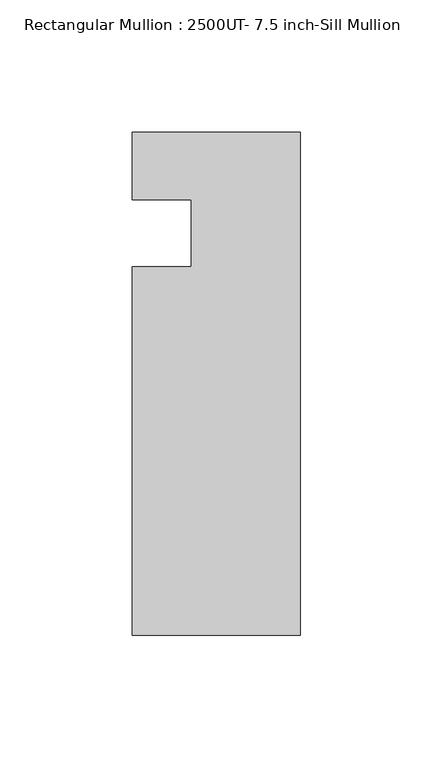
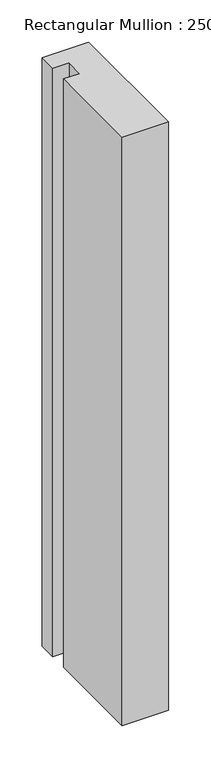
"""IFC4 building model written with IfcOpenShell, lengths in millimetres: member geometry, Rectangular Mullion : 2500UT- 7.5 inch-Sill Mullion."""

from ifc_helpers import new_model, si_unit, frame, origin, place, context, project, spatial, polyline, outline, extrude, source, transform, mapped, element, save


def rectangular_mullion_2500ut_7_5_inch_sill_mullion_aa4b3239(model_context):
    return source(origin(), model_context, "Body", "SweptSolid", [
        extrude(outline(polyline([(31.75, 38.1), (31.75, -151.892), (-31.75, -151.892), (-31.75, -12.7), (-9.525, -12.7), (-9.525, 12.7309282), (-31.75, 12.7309282), (-31.75, 38.1), (31.75, 38.1)])), frame((0.0, 0.0, -850.9), z_axis=(0.0, 0.0, 1.0), x_axis=(1.0, 0.0, 0.0)), (0.0, 0.0, 1.0), 850.9),
    ])


if __name__ == "__main__":
    model = new_model("IFC4")
    model_context = context("Model", 3, world=origin())
    ifc_project = project(units=[si_unit("LENGTHUNIT", "METRE", prefix="MILLI")], contexts=[model_context])
    site = spatial("IfcSite", under=ifc_project)
    building = spatial("IfcBuilding", under=site)
    placement = place(None, origin())
    rectangular_mullion_2500ut_7_5_inch_sill_mullion_shape = rectangular_mullion_2500ut_7_5_inch_sill_mullion_aa4b3239(model_context)
    element("IfcMember", 1, ObjectType="Rectangular Mullion : 2500UT- 7.5 inch-Sill Mullion", at=placement, inside=building, context=model_context, shape_type="MappedRepresentation", body=[
        mapped(rectangular_mullion_2500ut_7_5_inch_sill_mullion_shape, transform((0.0, 0.0, 0.0), x_axis=(1.0, 0.0, 0.0), y_axis=(0.0, 1.0, 0.0), z_axis=(0.0, 0.0, 1.0))),
    ])
    save(model, "model.ifc")
